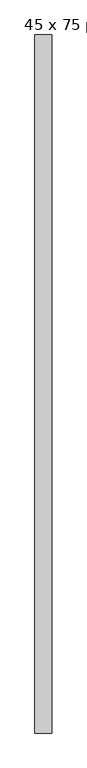
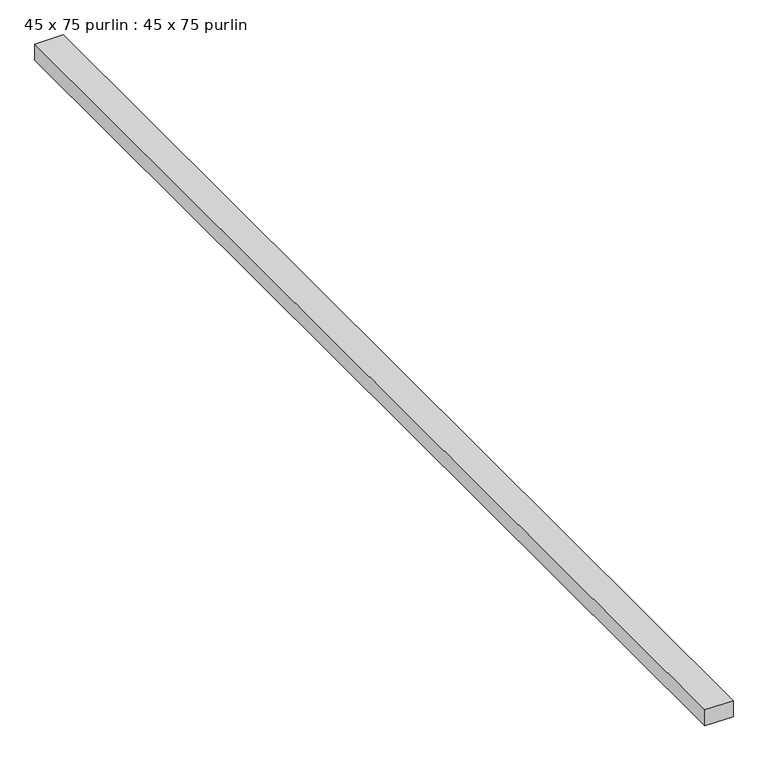
"""IFC4 building model written with IfcOpenShell, lengths in millimetres: proxy geometry, 45 x 75 purlin : 45 x 75 purlin."""

from ifc_helpers import new_model, si_unit, frame, origin, place, context, project, spatial, polyline, outline, extrude, source, transform, mapped, element, save


def proxy_45_x_75_purlin_45_x_75_purlin_4844a186(model_context):
    return source(origin(), model_context, "Body", "SweptSolid", [
        extrude(outline(polyline([(-11767.1861291, -1346.7884221), (-11842.1861291, -1346.7884221), (-11842.1861291, 1743.2115779), (-11767.1861291, 1743.2115779), (-11767.1861291, -1346.7884221)])), frame((0.0, 0.0, 3784.2452806), z_axis=(0.0, 0.0, 1.0), x_axis=(1.0, 0.0, 0.0)), (0.0, 0.0, 1.0), 45.0),
    ])


if __name__ == "__main__":
    model = new_model("IFC4")
    model_context = context("Model", 3, world=origin())
    ifc_project = project(units=[si_unit("LENGTHUNIT", "METRE", prefix="MILLI")], contexts=[model_context])
    site = spatial("IfcSite", under=ifc_project)
    building = spatial("IfcBuilding", under=site)
    placement = place(None, origin())
    proxy_45_x_75_purlin_45_x_75_purlin_shape = proxy_45_x_75_purlin_45_x_75_purlin_4844a186(model_context)
    element("IfcBuildingElementProxy", 1, Name="45 x 75 purlin : 45 x 75 purlin", ObjectType="45 x 75 purlin : 45 x 75 purlin", at=placement, inside=building, context=model_context, shape_type="MappedRepresentation", body=[
        mapped(proxy_45_x_75_purlin_45_x_75_purlin_shape, transform((0.0, 0.0, 0.0), x_axis=(1.0, 0.0, 0.0), y_axis=(0.0, 1.0, 0.0), z_axis=(0.0, 0.0, 1.0))),
    ])
    save(model, "model.ifc")
